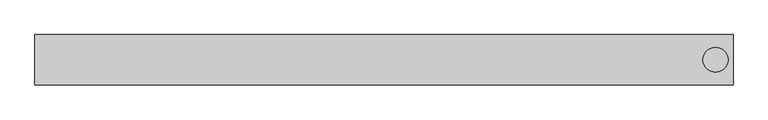
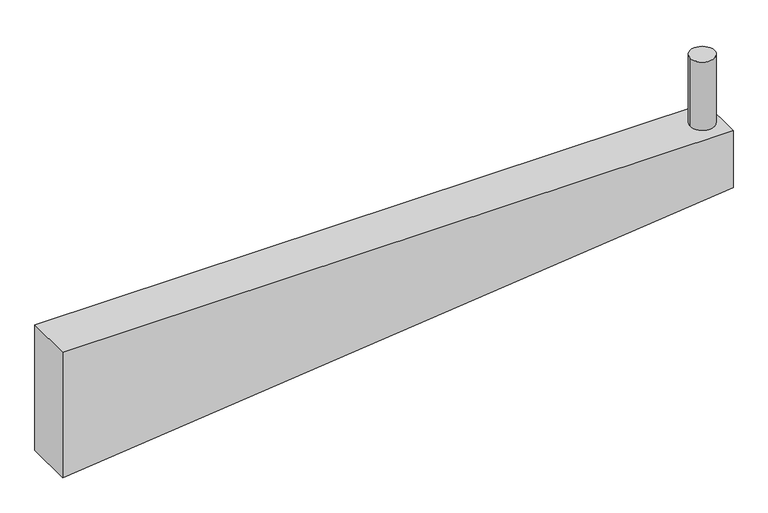
"""IFC4 building model written with IfcOpenShell, lengths in millimetres: beam geometry."""

from ifc_helpers import new_model, si_unit, point, frame, frame_2d, origin, origin_with_axes, place, context, project, spatial, polyline, circle_curve, trimmed, segment, composite_curve, outline, extrude, source, transform, mapped, element, save


def beam_25f873d8(model_context):
    return source(origin(), model_context, "Body", "SweptSolid", [
        extrude(outline(composite_curve([segment(trimmed(circle_curve(frame_2d((1321.1425844, 0.0)), 50.0), [point((1271.1425844, 0.0))], [point((1371.1425844, 0.0))], False, "CARTESIAN"), True, "CONTINUOUS"), segment(trimmed(circle_curve(frame_2d((1321.1425844, 0.0)), 50.0), [point((1371.1425844, 0.0))], [point((1271.1425844, 0.0))], False, "CARTESIAN"), True, "CONTINUOUS")], self_intersect=False)), origin_with_axes(), (0.0, 0.0, 1.0), 300.0),
        extrude(outline(polyline([(-250.0, 1391.1425844), (0.0, 1391.1425844), (0.0, -1391.1425844), (-550.0, -1391.1425844), (-250.0, 1391.1425844)])), frame((0.0, -100.0, 0.0), z_axis=(0.0, 1.0, 0.0), x_axis=(0.0, 0.0, 1.0)), (0.0, 0.0, 1.0), 200.0),
    ])


if __name__ == "__main__":
    model = new_model("IFC4")
    model_context = context("Model", 3, world=origin())
    ifc_project = project(units=[si_unit("LENGTHUNIT", "METRE", prefix="MILLI")], contexts=[model_context])
    site = spatial("IfcSite", under=ifc_project)
    building = spatial("IfcBuilding", under=site)
    placement = place(None, origin())
    beam_shape = beam_25f873d8(model_context)
    element("IfcBeam", 1, at=placement, inside=building, context=model_context, shape_type="MappedRepresentation", body=[
        mapped(beam_shape, transform((0.0, 0.0, 0.0), x_axis=(1.0, 0.0, 0.0), y_axis=(0.0, 1.0, 0.0), z_axis=(0.0, 0.0, 1.0))),
    ])
    save(model, "model.ifc")
